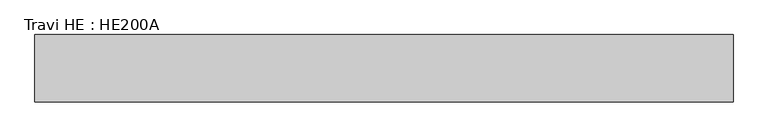
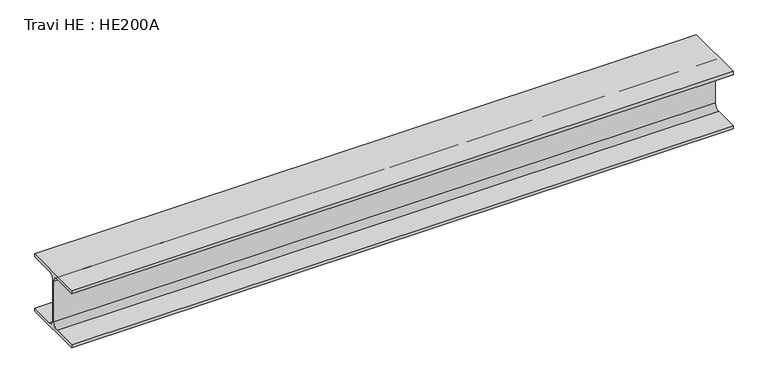
"""IFC4 building model written with IfcOpenShell, lengths in millimetres: beam geometry, Travi HE : HE200A."""

from ifc_helpers import new_model, si_unit, point, frame, frame_2d, origin, place, context, project, spatial, polyline, circle_curve, trimmed, segment, composite_curve, outline, extrude, source, transform, mapped, element, save


def travi_he_he200a_5ce5ea6f(model_context):
    return source(origin(), model_context, "Body", "SweptSolid", [
        extrude(outline(composite_curve([segment(polyline([(100.0, -85.0), (100.0, -95.0), (-100.0, -95.0), (-100.0, -85.0), (-21.25, -85.0)]), True, "CONTINUOUS"), segment(trimmed(circle_curve(frame_2d((-21.25, -67.0)), 18.0), [point((-21.25, -85.0))], [point((-3.25, -67.0))], True, "CARTESIAN"), True, "CONTINUOUS"), segment(polyline([(-3.25, -67.0), (-3.25, 67.0)]), True, "CONTINUOUS"), segment(trimmed(circle_curve(frame_2d((-21.25, 67.0)), 18.0), [point((-3.25, 67.0))], [point((-21.25, 85.0))], True, "CARTESIAN"), True, "CONTINUOUS"), segment(polyline([(-21.25, 85.0), (-100.0, 85.0), (-100.0, 95.0), (100.0, 95.0), (100.0, 85.0), (21.25, 85.0)]), True, "CONTINUOUS"), segment(trimmed(circle_curve(frame_2d((21.25, 67.0)), 18.0), [point((21.25, 85.0))], [point((3.25, 67.0))], True, "CARTESIAN"), True, "CONTINUOUS"), segment(polyline([(3.25, 67.0), (3.25, -67.0)]), True, "CONTINUOUS"), segment(trimmed(circle_curve(frame_2d((21.25, -67.0)), 18.0), [point((3.25, -67.0))], [point((21.25, -85.0))], True, "CARTESIAN"), True, "CONTINUOUS"), segment(polyline([(21.25, -85.0), (100.0, -85.0)]), True, "CONTINUOUS")], self_intersect=False)), frame((-1037.0, 0.0, 0.0), z_axis=(1.0, 0.0, 0.0), x_axis=(0.0, 1.0, 0.0)), (0.0, 0.0, 1.0), 2074.0),
    ])


if __name__ == "__main__":
    model = new_model("IFC4")
    model_context = context("Model", 3, world=origin())
    ifc_project = project(units=[si_unit("LENGTHUNIT", "METRE", prefix="MILLI")], contexts=[model_context])
    site = spatial("IfcSite", under=ifc_project)
    building = spatial("IfcBuilding", under=site)
    placement = place(None, origin())
    travi_he_he200a_shape = travi_he_he200a_5ce5ea6f(model_context)
    element("IfcBeam", 1, ObjectType="Travi HE : HE200A", at=placement, inside=building, context=model_context, shape_type="MappedRepresentation", body=[
        mapped(travi_he_he200a_shape, transform((0.0, 0.0, 0.0), x_axis=(1.0, 0.0, 0.0), y_axis=(0.0, 1.0, 0.0), z_axis=(0.0, 0.0, 1.0))),
    ])
    save(model, "model.ifc")
